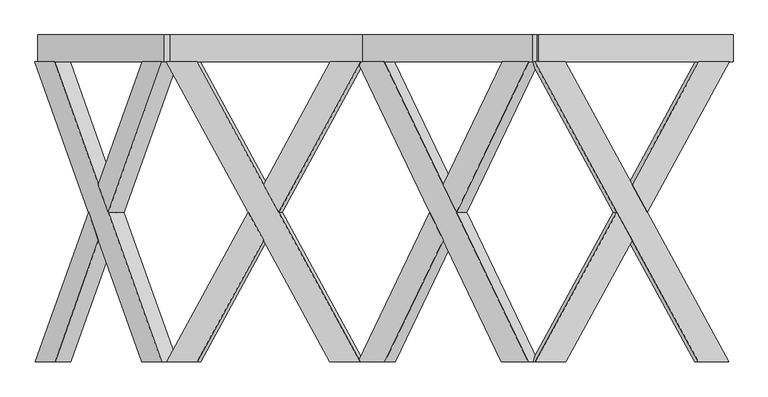
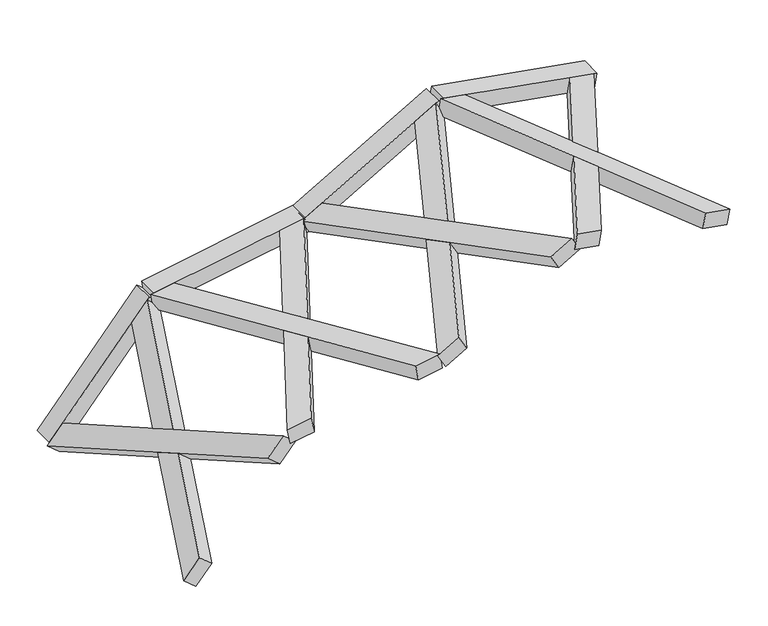
"""IFC4 building model written with IfcOpenShell, lengths in millimetres: proxy geometry."""

from ifc_helpers import new_model, si_unit, frame, origin, place, context, project, spatial, polyline, outline, extrude, faceted_brep, source, transform, mapped, element, save


def generic_models_c9f1a6bf(model_context):
    return source(origin(), model_context, "Body", "SolidModel", [
        faceted_brep([(5037.8104883, -100.0, 1779.443544), (3826.1120811, -2319.6837757, 1993.0986657), (3600.915291, -2319.6837757, 2032.8069358), (4812.6136982, -100.0, 1819.1518141), (3626.9625176, -2319.6837757, 2180.5280987), (3852.1593077, -2319.6837757, 2140.8198287), (4343.0753595, -1420.3854116, 2054.2580835), (4230.4769645, -1214.1188776, 2074.1122185), (5063.8577149, -100.0, 1927.164707), (4838.6609248, -100.0, 1966.872977), (4343.0753595, -1007.8523437, 2054.2580835), (4455.6737545, -1214.1188776, 2034.4039484), (4217.4533511, -1214.1188776, 2000.251637), (4330.0517462, -1007.8523437, 1980.397502), (4442.6501412, -1214.1188776, 1960.5433669), (4330.0517462, -1420.3854116, 1980.397502)], [[[0, 1, 2, 3]], [[4, 5, 6, 7]], [[8, 9, 10, 11]], [[0, 3, 9, 8]], [[3, 2, 4, 7, 12, 13, 10, 9]], [[2, 1, 5, 4]], [[1, 0, 8, 11, 14, 15, 6, 5]], [[12, 15, 14, 13]], [[13, 14, 11, 10]], [[15, 12, 7, 6]]]),
        faceted_brep([(3596.2457774, -100.0, 2033.630297), (3821.4425675, -100.0, 1993.9220269), (4317.0281328, -1007.8523437, 1906.5369205), (4204.4297378, -1214.1188776, 1926.3910555), (5033.1409747, -2319.6837757, 1780.2669052), (4807.9441846, -2319.6837757, 1819.9751753), (4317.0281328, -1420.3854116, 1906.5369205), (4429.6265279, -1214.1188776, 1886.6827855), (3622.2930041, -100.0, 2181.3514599), (4833.9914113, -2319.6837757, 1967.6963383), (5059.1882014, -2319.6837757, 1927.9880682), (3847.4897942, -100.0, 2141.6431899), (4442.6501412, -1214.1188776, 1960.5433669), (4330.0517462, -1007.8523437, 1980.397502), (4217.4533511, -1214.1188776, 2000.251637), (4330.0517462, -1420.3854116, 1980.397502)], [[[0, 1, 2, 3]], [[4, 5, 6, 7]], [[8, 9, 10, 11]], [[1, 0, 8, 11]], [[11, 10, 4, 7, 12, 13, 2, 1]], [[5, 4, 10, 9]], [[9, 8, 0, 3, 14, 15, 6, 5]], [[12, 15, 14, 13]], [[13, 14, 3, 2]], [[15, 12, 7, 6]]]),
        extrude(outline(polyline([(0.0, -200.0), (0.0, 0.0), (1460.0, 0.0), (1460.0, -200.0), (0.0, -200.0)])), frame((5065.4820251, -100.0, 1774.5643055), z_axis=(0.1736481776669334, 0.0, 0.9848077530122077), x_axis=(-0.9848077530122077, 0.0, 0.1736481776669334)), (0.0, 0.0, 1.0), 150.0),
        faceted_brep([(3653.8523779, -100.0, 2022.9501136), (2588.3026814, -2319.6837757, 1407.7547095), (2390.2679477, -2319.6837757, 1293.4193027), (3455.8176443, -100.0, 1908.6147068), (2315.2679477, -2319.6837757, 1423.3231132), (2513.3026814, -2319.6837757, 1537.65852), (2945.0070122, -1420.3854116, 1786.9031316), (2845.9896454, -1214.1188776, 1729.7354282), (3578.8523779, -100.0, 2152.8539242), (3380.8176443, -100.0, 2038.5185174), (2945.0070122, -1007.8523437, 1786.9031316), (3044.024379, -1214.1188776, 1844.070835), (2883.4896454, -1214.1188776, 1664.783523), (2982.5070122, -1007.8523437, 1721.9512263), (3081.524379, -1214.1188776, 1779.1189297), (2982.5070122, -1420.3854116, 1721.9512263)], [[[0, 1, 2, 3]], [[4, 5, 6, 7]], [[8, 9, 10, 11]], [[0, 3, 9, 8]], [[3, 2, 4, 7, 12, 13, 10, 9]], [[2, 1, 5, 4]], [[1, 0, 8, 11, 14, 15, 6, 5]], [[12, 15, 14, 13]], [[13, 14, 11, 10]], [[15, 12, 7, 6]]]),
        faceted_brep([(2386.1616465, -100.0, 1291.0485285), (2584.1963801, -100.0, 1405.3839353), (3020.0070122, -1007.8523437, 1656.9993211), (2920.9896454, -1214.1188776, 1599.8316177), (3649.7460767, -2319.6837757, 2020.5793394), (3451.711343, -2319.6837757, 1906.2439327), (3020.0070122, -1420.3854116, 1656.9993211), (3119.024379, -1214.1188776, 1714.1670245), (2311.1616465, -100.0, 1420.9523391), (3376.711343, -2319.6837757, 2036.1477432), (3574.7460767, -2319.6837757, 2150.48315), (2509.1963801, -100.0, 1535.2877459), (3081.524379, -1214.1188776, 1779.1189297), (2982.5070122, -1007.8523437, 1721.9512263), (2883.4896454, -1214.1188776, 1664.783523), (2982.5070122, -1420.3854116, 1721.9512263)], [[[0, 1, 2, 3]], [[4, 5, 6, 7]], [[8, 9, 10, 11]], [[1, 0, 8, 11]], [[11, 10, 4, 7, 12, 13, 2, 1]], [[5, 4, 10, 9]], [[9, 8, 0, 3, 14, 15, 6, 5]], [[12, 15, 14, 13]], [[13, 14, 3, 2]], [[15, 12, 7, 6]]]),
        extrude(outline(polyline([(0.0, -200.0), (0.0, 0.0), (1460.0000001, 0.0), (1460.0000001, -200.0), (0.0, -200.0)])), frame((3678.1863191, -100.0, 2036.9993211), z_axis=(-0.499999999999997, 0.0, 0.8660254037844404), x_axis=(-0.8660254037844404, 0.0, -0.499999999999997)), (0.0, 0.0, 1.0), 150.0),
        faceted_brep([(2361.641306, -100.0, 1293.2114063), (1149.9428988, -2319.6837757, 1079.5562846), (924.7461087, -2319.6837757, 1039.8480146), (2136.4445159, -100.0, 1253.5031363), (898.698882, -2319.6837757, 1187.5691775), (1123.8956721, -2319.6837757, 1227.2774476), (1614.8117239, -1420.3854116, 1313.8391928), (1502.2133289, -1214.1188776, 1293.9850578), (2335.5940793, -100.0, 1440.9325693), (2110.3972892, -100.0, 1401.2242992), (1614.8117239, -1007.8523437, 1313.8391928), (1727.410119, -1214.1188776, 1333.6933278), (1515.2369422, -1214.1188776, 1220.1244763), (1627.8353373, -1007.8523437, 1239.9786113), (1740.4337323, -1214.1188776, 1259.8327464), (1627.8353373, -1420.3854116, 1239.9786113)], [[[0, 1, 2, 3]], [[4, 5, 6, 7]], [[8, 9, 10, 11]], [[0, 3, 9, 8]], [[3, 2, 4, 7, 12, 13, 10, 9]], [[2, 1, 5, 4]], [[1, 0, 8, 11, 14, 15, 6, 5]], [[12, 15, 14, 13]], [[13, 14, 11, 10]], [[15, 12, 7, 6]]]),
        faceted_brep([(920.0765952, -100.0, 1039.0246534), (1145.2733853, -100.0, 1078.7329234), (1640.8589506, -1007.8523437, 1166.1180298), (1528.2605555, -1214.1188776, 1146.2638948), (2356.9717925, -2319.6837757, 1292.3880451), (2131.7750024, -2319.6837757, 1252.679775), (1640.8589506, -1420.3854116, 1166.1180298), (1753.4573456, -1214.1188776, 1185.9721649), (894.0293685, -100.0, 1186.7458163), (2105.7277757, -2319.6837757, 1400.400938), (2330.9245658, -2319.6837757, 1440.1092081), (1119.2261586, -100.0, 1226.4540864), (1740.4337323, -1214.1188776, 1259.8327464), (1627.8353373, -1007.8523437, 1239.9786113), (1515.2369422, -1214.1188776, 1220.1244763), (1627.8353373, -1420.3854116, 1239.9786113)], [[[0, 1, 2, 3]], [[4, 5, 6, 7]], [[8, 9, 10, 11]], [[1, 0, 8, 11]], [[11, 10, 4, 7, 12, 13, 2, 1]], [[5, 4, 10, 9]], [[9, 8, 0, 3, 14, 15, 6, 5]], [[12, 15, 14, 13]], [[13, 14, 3, 2]], [[15, 12, 7, 6]]]),
        extrude(outline(polyline([(0.0, -200.0), (0.0, 0.0), (1460.0, 0.0), (1460.0, -200.0), (0.0, -200.0)])), frame((2389.3128429, -100.0, 1298.0906449), z_axis=(-0.17364817766693008, 0.0, 0.9848077530122082), x_axis=(-0.9848077530122082, 0.0, -0.17364817766693008)), (0.0, 0.0, 1.0), 150.0),
        faceted_brep([(977.8619304, -100.0, 1048.6911816), (186.9819638, -2319.6837757, 106.1571401), (39.9951981, -2319.6837757, -69.014866), (830.8751647, -100.0, 873.5191756), (-74.9114684, -2319.6837757, 27.4032755), (72.0752973, -2319.6837757, 202.5752815), (392.4979935, -1420.3854116, 584.4401809), (319.0046107, -1214.1188776, 496.8541779), (862.9552639, -100.0, 1145.1093231), (715.9684983, -100.0, 969.937317), (392.4979935, -1007.8523437, 584.4401809), (465.9913764, -1214.1188776, 672.0261839), (376.4579439, -1214.1188776, 448.6451072), (449.9513268, -1007.8523437, 536.2311102), (523.4447096, -1214.1188776, 623.8171132), (449.9513268, -1420.3854116, 536.2311102)], [[[0, 1, 2, 3]], [[4, 5, 6, 7]], [[8, 9, 10, 11]], [[0, 3, 9, 8]], [[3, 2, 4, 7, 12, 13, 10, 9]], [[2, 1, 5, 4]], [[1, 0, 8, 11, 14, 15, 6, 5]], [[12, 15, 14, 13]], [[13, 14, 11, 10]], [[15, 12, 7, 6]]]),
        faceted_brep([(36.9473896, -100.0, -72.6471027), (183.9341553, -100.0, 102.5249034), (507.40466, -1007.8523437, 488.0220395), (433.9112772, -1214.1188776, 400.4360364), (974.8141219, -2319.6837757, 1045.0589449), (827.8273562, -2319.6837757, 869.8869388), (507.40466, -1420.3854116, 488.0220395), (580.8980428, -1214.1188776, 575.6080425), (-77.9592768, -100.0, 23.7710388), (712.9206898, -2319.6837757, 966.3050803), (859.9074554, -2319.6837757, 1141.4770863), (69.0274888, -100.0, 198.9430448), (523.4447096, -1214.1188776, 623.8171132), (449.9513268, -1007.8523437, 536.2311102), (376.4579439, -1214.1188776, 448.6451072), (449.9513268, -1420.3854116, 536.2311102)], [[[0, 1, 2, 3]], [[4, 5, 6, 7]], [[8, 9, 10, 11]], [[1, 0, 8, 11]], [[11, 10, 4, 7, 12, 13, 2, 1]], [[5, 4, 10, 9]], [[9, 8, 0, 3, 14, 15, 6, 5]], [[12, 15, 14, 13]], [[13, 14, 3, 2]], [[15, 12, 7, 6]]]),
        extrude(outline(polyline([(-148.3871943, 0.0), (-148.3871943, -149.9999999), (-348.3871943, -149.9999999), (-348.3871943, 0.0), (-148.3871943, 0.0)])), frame((57.4533332, -248.3871943, -48.2090707), z_axis=(0.6427876096865401, 0.0, 0.7660444431189775), x_axis=(0.0, -1.0, 0.0)), (0.0, 0.0, 1.0), 1460.0),
    ])


if __name__ == "__main__":
    model = new_model("IFC4")
    model_context = context("Model", 3, world=origin())
    ifc_project = project(units=[si_unit("LENGTHUNIT", "METRE", prefix="MILLI")], contexts=[model_context])
    site = spatial("IfcSite", under=ifc_project)
    building = spatial("IfcBuilding", under=site)
    placement = place(None, origin())
    generic_models_shape = generic_models_c9f1a6bf(model_context)
    element("IfcBuildingElementProxy", 1, Name="Generic Models", at=placement, inside=building, context=model_context, shape_type="MappedRepresentation", body=[
        mapped(generic_models_shape, transform((0.0, 0.0, 0.0), x_axis=(1.0, 0.0, 0.0), y_axis=(0.0, 1.0, 0.0), z_axis=(0.0, 0.0, 1.0))),
    ])
    save(model, "model.ifc")
